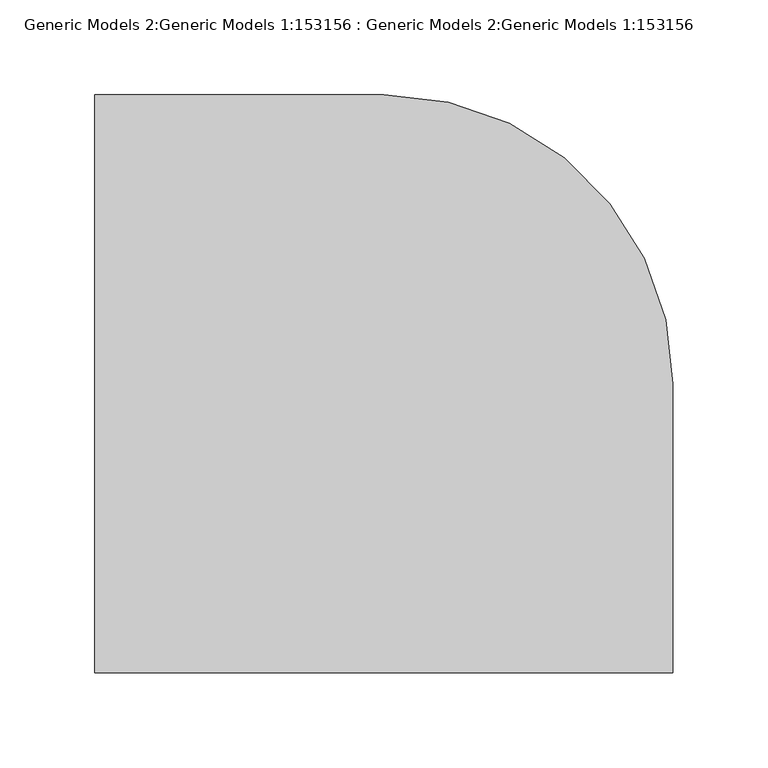
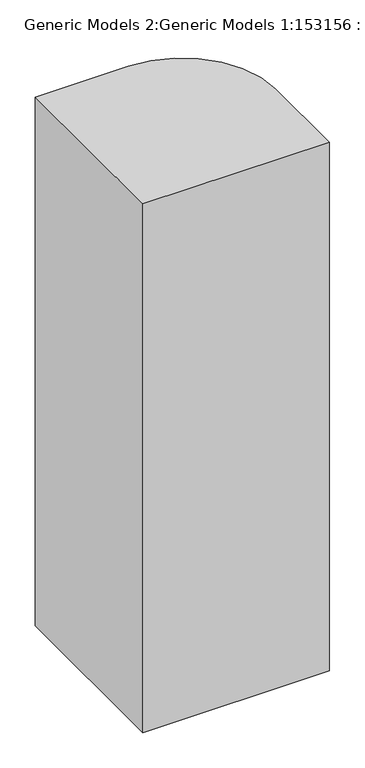
"""IFC4 building model written with IfcOpenShell, lengths in millimetres: proxy geometry, Generic Models 2:Generic Models 1:153156 : Generic Models 2:Generic Models 1:153156."""

from ifc_helpers import new_model, si_unit, origin, origin_with_axes, place, context, project, spatial, polyline, outline, extrude, source, transform, mapped, element, save


def generic_models_2_generic_models_1_153156_generic_models_2_23ad743a(model_context):
    return source(origin(), model_context, "Body", "SweptSolid", [
        extrude(outline(polyline([(152.4000019, 0.0), (152.4000019, -152.4000093), (-152.4000093, -152.4000093), (-152.4000093, 152.4000019), (0.0, 152.4000019), (33.9121893, 148.5790163), (66.1238804, 137.3076588), (95.0198472, 119.1511154), (119.1511154, 95.0198472), (137.3076588, 66.1238804), (148.5790163, 33.9121893), (152.4000019, 0.0)])), origin_with_axes(), (0.0, 0.0, 1.0), 914.399935),
    ])


if __name__ == "__main__":
    model = new_model("IFC4")
    model_context = context("Model", 3, world=origin())
    ifc_project = project(units=[si_unit("LENGTHUNIT", "METRE", prefix="MILLI")], contexts=[model_context])
    site = spatial("IfcSite", under=ifc_project)
    building = spatial("IfcBuilding", under=site)
    placement = place(None, origin())
    generic_models_2_generic_models_1_153156_generic_models_2_shape = generic_models_2_generic_models_1_153156_generic_models_2_23ad743a(model_context)
    element("IfcBuildingElementProxy", 1, Name="Generic Models 2:Generic Models 1:153156 : Generic Models 2:Generic Models 1:153156", ObjectType="Generic Models 2:Generic Models 1:153156 : Generic Models 2:Generic Models 1:153156", at=placement, inside=building, context=model_context, shape_type="MappedRepresentation", body=[
        mapped(generic_models_2_generic_models_1_153156_generic_models_2_shape, transform((0.0, 0.0, 0.0), x_axis=(1.0, 0.0, 0.0), y_axis=(0.0, 1.0, 0.0), z_axis=(0.0, 0.0, 1.0))),
    ])
    save(model, "model.ifc")
